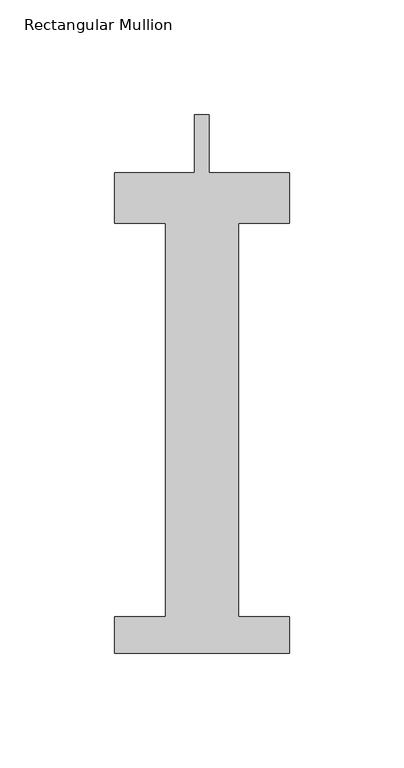
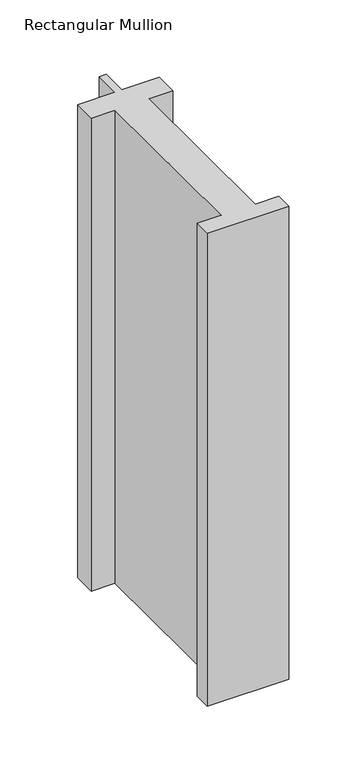
"""IFC4 building model written with IfcOpenShell, lengths in millimetres: member geometry, Rectangular Mullion."""

import ifcopenshell
import ifcopenshell.guid

model = None  # the IFC model being written
_history = None  # IfcOwnerHistory: only IFC2X3 demands one
_inside = {}  # id of a spatial element -> (the spatial element, [elements in it])
_under = {}  # id of a project, library or spatial element -> (it, [spatial elements below it])
_declared = {}  # id of a project -> (the project, [libraries it declares])
_typed = {}  # id of a type object -> (the type object, [elements of that type])
_made_of = {}  # id of a material, layer set ... -> (it, [elements and type objects made of it])


def new_model(schema):
    """Start an empty IFC model of exactly this schema.

    Asked for "IFC4X3", IfcOpenShell would pick the latest addendum, in which some entities
    have other attributes; the version numbers below select the first issue.
    IFC2X3 requires an IfcOwnerHistory on every rooted entity: one is made here for all.
    """
    global model, _history
    if schema == "IFC4X3":
        model = ifcopenshell.file(schema_version=(4, 3, 0, 0))
    else:
        model = ifcopenshell.file(schema=schema)
    _inside.clear()
    _under.clear()
    _declared.clear()
    _typed.clear()
    _made_of.clear()
    _history = None
    if model.schema == "IFC2X3":
        org = make("IfcOrganization", Name="unknown")
        user = make(
            "IfcPersonAndOrganization",
            ThePerson=make("IfcPerson", FamilyName="unknown"),
            TheOrganization=org,
        )
        app = make(
            "IfcApplication",
            ApplicationDeveloper=org,
            Version="unknown",
            ApplicationFullName="unknown",
            ApplicationIdentifier="unknown",
        )
        _history = make(
            "IfcOwnerHistory",
            OwningUser=user,
            OwningApplication=app,
            ChangeAction="ADDED",
            CreationDate=0,
        )
    return model


def make(cls, **values):
    """One entity of the class cls with the attributes given. An attribute that is None is left unset."""
    return model.create_entity(
        cls, **{name: value for name, value in values.items() if value is not None}
    )


def rooted(cls, **values):
    """An entity with a GlobalId (a new one), such as an element, a storey or a relation."""
    return make(cls, GlobalId=ifcopenshell.guid.new(), OwnerHistory=_history, **values)


def si_unit(unit_type, name, prefix=None):
    """IfcSIUnit, for example si_unit("LENGTHUNIT", "METRE", prefix="MILLI")."""
    return make("IfcSIUnit", UnitType=unit_type, Prefix=prefix, Name=name)


def assignment(units):
    """IfcUnitAssignment: the units of a project."""
    return None if units is None else make("IfcUnitAssignment", Units=units)


def point(xyz):
    """IfcCartesianPoint."""
    return None if xyz is None else make("IfcCartesianPoint", Coordinates=xyz)


def direction(xyz):
    """IfcDirection."""
    return None if xyz is None else make("IfcDirection", DirectionRatios=xyz)


def frame(location, z_axis=None, x_axis=None):
    """IfcAxis2Placement3D, a coordinate frame: its origin and axes. An axis left out is left unset."""
    return make(
        "IfcAxis2Placement3D",
        Location=point(location),
        Axis=direction(z_axis),
        RefDirection=direction(x_axis),
    )


def origin():
    """The frame at (0, 0, 0) with its axes left unset."""
    return frame((0.0, 0.0, 0.0))


def place(relative_to, where):
    """IfcLocalPlacement: puts the frame where relative to a parent placement (None: the world)."""
    return make(
        "IfcLocalPlacement", PlacementRelTo=relative_to, RelativePlacement=where
    )


def context(
    kind, dimensions, precision=None, world=None, true_north=None, identifier=None
):
    """IfcGeometricRepresentationContext, for example the 3D "Model" context."""
    return make(
        "IfcGeometricRepresentationContext",
        ContextIdentifier=identifier,
        ContextType=kind,
        CoordinateSpaceDimension=dimensions,
        Precision=precision,
        WorldCoordinateSystem=world,
        TrueNorth=true_north,
    )


def project(units=None, contexts=None):
    """IfcProject with its units and contexts."""
    return rooted(
        "IfcProject",
        Name="project",
        RepresentationContexts=contexts,
        UnitsInContext=assignment(units),
    )


def spatial(cls, under=None, at=None, **own):
    """A site, building, storey or space (cls), placed at a placement, below another one or the project."""
    s = rooted(cls, ObjectPlacement=at, **own)
    if under is not None:
        _under.setdefault(under.id(), (under, []))[1].append(s)
    return s


def polyline(points):
    """IfcPolyline through the points."""
    return make("IfcPolyline", Points=[point(p) for p in points])


def outline(outer, holes=None, kind="AREA"):
    """IfcArbitraryClosedProfileDef: a profile drawn as a closed curve; with holes, ...WithVoids."""
    if holes is None:
        return make("IfcArbitraryClosedProfileDef", ProfileType=kind, OuterCurve=outer)
    return make(
        "IfcArbitraryProfileDefWithVoids",
        ProfileType=kind,
        OuterCurve=outer,
        InnerCurves=holes,
    )


def extrude(swept, where, along, depth):
    """IfcExtrudedAreaSolid: the profile swept, set in the frame where, extruded along a direction by depth."""
    return make(
        "IfcExtrudedAreaSolid",
        SweptArea=swept,
        Position=where,
        ExtrudedDirection=direction(along),
        Depth=depth,
    )


def shape(context_of_items, identifier, shape_type, items):
    """IfcShapeRepresentation: the items that make up one representation, for example the "Body"."""
    return make(
        "IfcShapeRepresentation",
        ContextOfItems=context_of_items,
        RepresentationIdentifier=identifier,
        RepresentationType=shape_type,
        Items=items,
    )


def source(mapping_origin, context_of_items, identifier, shape_type, items):
    """IfcRepresentationMap: a shape defined once, which mapped items show again and again."""
    return make(
        "IfcRepresentationMap",
        MappingOrigin=mapping_origin,
        MappedRepresentation=shape(context_of_items, identifier, shape_type, items),
    )


def transform(
    local_origin,
    x_axis=None,
    y_axis=None,
    z_axis=None,
    scale=None,
    scale2=None,
    scale3=None,
    uniform=True,
):
    """IfcCartesianTransformationOperator3D, or its non-uniform kind. x_axis, y_axis, z_axis: its Axis1, 2, 3."""
    if uniform:
        return make(
            "IfcCartesianTransformationOperator3D",
            Axis1=direction(x_axis),
            Axis2=direction(y_axis),
            LocalOrigin=point(local_origin),
            Scale=scale,
            Axis3=direction(z_axis),
        )
    return make(
        "IfcCartesianTransformationOperator3DnonUniform",
        Axis1=direction(x_axis),
        Axis2=direction(y_axis),
        LocalOrigin=point(local_origin),
        Scale=scale,
        Axis3=direction(z_axis),
        Scale2=scale2,
        Scale3=scale3,
    )


def mapped(mapping_source, mapping_target):
    """IfcMappedItem: shows the shape of a source again, moved by a transform."""
    return make(
        "IfcMappedItem", MappingSource=mapping_source, MappingTarget=mapping_target
    )


def made_of(thing, what):
    """Note that an element or type object is made of a material, layer set ...; save() writes the relation."""
    if what is not None:
        _made_of.setdefault(what.id(), (what, []))[1].append(thing)
    return thing


def element(
    cls,
    number,
    at=None,
    inside=None,
    cuts=None,
    type_object=None,
    material=None,
    context=None,
    identifier="Body",
    shape_type=None,
    held_by="IfcProductDefinitionShape",
    body=None,
    shapes=None,
    **own,
):
    """One element of the class cls, such as IfcWall. Its Tag is "e" and its number.

    at: its placement. inside: the storey or other place that contains it. cuts: it is an
    opening in that element (IfcRelVoidsElement). A single representation is given by context,
    identifier, shape_type and body (its items); several are given by shapes. held_by: the class
    of the entity that holds the representations. save() writes the other relations.
    """
    e = rooted(cls, Tag="e%d" % number, ObjectPlacement=at, **own)
    if body is not None:
        shapes = [shape(context, identifier, shape_type, body)]
    if shapes is not None:
        e.Representation = make(held_by, Representations=shapes)
    if inside is not None:
        _inside.setdefault(inside.id(), (inside, []))[1].append(e)
    if cuts is not None:
        rooted(
            "IfcRelVoidsElement", RelatingBuildingElement=cuts, RelatedOpeningElement=e
        )
    if type_object is not None:
        _typed.setdefault(type_object.id(), (type_object, []))[1].append(e)
    return made_of(e, material)


def aggregate(whole, parts):
    """IfcRelAggregates: a whole, such as a stair, and the parts it consists of."""
    return rooted("IfcRelAggregates", RelatingObject=whole, RelatedObjects=parts)


def save(model, path):
    """Write the relations noted so far, then the file.

    IfcRelAggregates (storeys below a building ...), IfcRelContainedInSpatialStructure (elements
    in a storey), IfcRelDefinesByType, IfcRelAssociatesMaterial and IfcRelDeclares: one each for
    every whole, place, type object, material and project.
    """
    for whole, parts in _under.values():
        aggregate(whole, parts)
    for where, things in _inside.values():
        rooted(
            "IfcRelContainedInSpatialStructure",
            RelatedElements=things,
            RelatingStructure=where,
        )
    for kind, things in _typed.values():
        rooted("IfcRelDefinesByType", RelatedObjects=things, RelatingType=kind)
    for what, things in _made_of.values():
        rooted("IfcRelAssociatesMaterial", RelatedObjects=things, RelatingMaterial=what)
    for by, libraries in _declared.values():
        rooted("IfcRelDeclares", RelatingContext=by, RelatedDefinitions=libraries)
    model.write(path)


def rectangular_mullion_7597db78(model_context):
    return source(origin(), model_context, "Body", "SweptSolid", [
        extrude(outline(polyline([(38.1, -221.996), (-38.1, -221.996), (-38.1, -206.121), (-15.875, -206.121), (-15.875, -34.671), (-38.1, -34.671), (-38.1, -12.7), (-3.175, -12.7), (-3.175, 12.7), (3.175, 12.7), (3.175, -12.7), (38.1, -12.7), (38.1, -34.671), (15.875, -34.671), (15.875, -206.121), (38.1, -206.121), (38.1, -221.996)])), frame((0.0, 0.0, -466.725), z_axis=(0.0, 0.0, 1.0), x_axis=(1.0, 0.0, 0.0)), (0.0, 0.0, 1.0), 466.725),
    ])


if __name__ == "__main__":
    model = new_model("IFC4")
    model_context = context("Model", 3, world=origin())
    ifc_project = project(units=[si_unit("LENGTHUNIT", "METRE", prefix="MILLI")], contexts=[model_context])
    site = spatial("IfcSite", under=ifc_project)
    building = spatial("IfcBuilding", under=site)
    placement = place(None, origin())
    rectangular_mullion_shape = rectangular_mullion_7597db78(model_context)
    element("IfcMember", 1, ObjectType="Rectangular Mullion", at=placement, inside=building, context=model_context, shape_type="MappedRepresentation", body=[
        mapped(rectangular_mullion_shape, transform((0.0, 0.0, 0.0), x_axis=(1.0, 0.0, 0.0), y_axis=(0.0, 1.0, 0.0), z_axis=(0.0, 0.0, 1.0))),
    ])
    save(model, "model.ifc")
